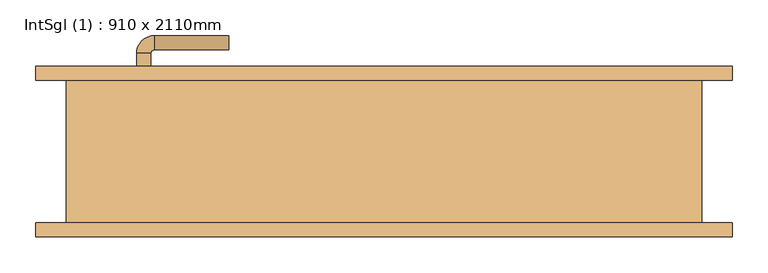
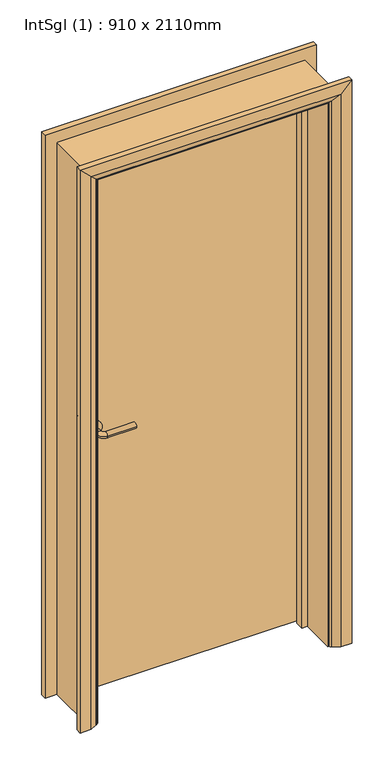
"""IFC4 building model written with IfcOpenShell, lengths in millimetres: door geometry, IntSgl (1) : 910 x 2110mm."""

from ifc_helpers import new_model, si_unit, point, frame, frame_2d, origin, place, context, project, spatial, polyline, circle_curve, ellipse_curve, trimmed, segment, composite_curve, outline, extrude, faceted_brep, source, transform, mapped, element, save
from ifc_brep_helpers import plane_surface, cylinder_surface, revolved_surface, advanced_brep


def intsgl_1_910_x_2110mm_09ade113(model_context):
    return source(origin(), model_context, "Body", "SolidModel", [
        advanced_brep(
        [(-348.0, 54.0, 1000.0), (-328.0, 54.0, 1000.0), (-328.0, 24.0, 1000.0), (-348.0, 24.0, 1000.0), (-323.0, 19.0, 1000.0), (-323.0, -1.0, 1000.0), (-218.0, -1.0, 1000.0), (-218.0, 19.0, 1000.0)],
        [
            (0, 1, circle_curve(frame((-338.0, 54.0, 1000.0), z_axis=(0.0, 1.0, 0.0), x_axis=(1.0, 0.0, 0.0)), 10.0)),
            (1, 0, circle_curve(frame((-338.0, 54.0, 1000.0), z_axis=(0.0, 1.0, 0.0), x_axis=(1.0, 0.0, 0.0)), 10.0)),
            (1, 2),
            (2, 3, circle_curve(frame((-338.0, 24.0, 1000.0), z_axis=(0.0, 1.0, 0.0), x_axis=(1.0, 0.0, 0.0)), 10.0)),
            (3, 0),
            (3, 2, circle_curve(frame((-338.0, 24.0, 1000.0), z_axis=(0.0, 1.0, 0.0), x_axis=(1.0, 0.0, 0.0)), 10.0)),
            (4, 5, circle_curve(frame((-323.0, 9.0, 1000.0), z_axis=(-1.0, 0.0, 0.0), x_axis=(0.0, 1.0, 0.0)), 10.0)),
            (5, 3, circle_curve(frame((-323.0, 24.0, 1000.0), z_axis=(0.0, 0.0, -1.0), x_axis=(-1.0, 0.0, 0.0)), 25.0)),
            (2, 4, circle_curve(frame((-323.0, 24.0, 1000.0), z_axis=(0.0, 0.0, 1.0), x_axis=(-1.0, 0.0, 0.0)), 5.0)),
            (5, 4, circle_curve(frame((-323.0, 9.0, 1000.0), z_axis=(-1.0, 0.0, 0.0), x_axis=(0.0, 1.0, 0.0)), 10.0)),
            (6, 7, circle_curve(frame((-218.0, 9.0, 1000.0), z_axis=(1.0, 0.0, 0.0), x_axis=(0.0, 1.0, 0.0)), 10.0)),
            (7, 6, circle_curve(frame((-218.0, 9.0, 1000.0), z_axis=(1.0, 0.0, 0.0), x_axis=(0.0, 1.0, 0.0)), 10.0)),
            (4, 7),
            (6, 5),
        ],
        [
            plane_surface(frame((-338.0, 54.0, 1000.0), z_axis=(0.0, 1.0, 0.0), x_axis=(0.0, 0.0, 1.0))),
            cylinder_surface(frame((-338.0, 54.0, 1000.0), z_axis=(0.0, 1.0, 0.0), x_axis=(1.0, 0.0, 0.0)), 10.0),
            revolved_surface(trimmed(ellipse_curve(frame((-338.0, 24.0, 1000.0), z_axis=(0.0, -1.0, 0.0), x_axis=(1.0, 0.0, 0.0)), 10.0, 10.0), [point((-348.0, 24.0, 1000.0))], [point((-328.0, 24.0, 1000.0))], True, "CARTESIAN"), (-323.0, 24.0, 1000.0), (0.0, 0.0, -1.0)),
            revolved_surface(trimmed(ellipse_curve(frame((-338.0, 24.0, 1000.0), z_axis=(0.0, -1.0, 0.0), x_axis=(1.0, 0.0, 0.0)), 10.0, 10.0), [point((-328.0, 24.0, 1000.0))], [point((-348.0, 24.0, 1000.0))], True, "CARTESIAN"), (-323.0, 24.0, 1000.0), (0.0, 0.0, -1.0)),
            plane_surface(frame((-218.0, 9.0, 1000.0), z_axis=(1.0, 0.0, 0.0), x_axis=(0.0, 0.0, 1.0))),
            cylinder_surface(frame((-323.0, 9.0, 1000.0), z_axis=(-1.0, 0.0, 0.0), x_axis=(0.0, 1.0, 0.0)), 10.0),
        ],
        [
            (0, [[1, 2]]),
            (1, [[3, 4, 5, -2]]),
            (1, [[-5, 6, -3, -1]]),
            (2, [[7, 8, -4, 9]]),
            (3, [[10, -9, -6, -8]]),
            (4, [[11, 12]]),
            (5, [[13, -11, 14, -7]]),
            (5, [[-14, -12, -13, -10]]),
        ],
    ),
        extrude(outline(composite_curve([segment(trimmed(circle_curve(frame_2d((1000.0, -340.5)), 30.0), [point((1000.0, -370.5))], [point((1000.0, -310.5))], False, "CARTESIAN"), True, "CONTINUOUS"), segment(trimmed(circle_curve(frame_2d((1000.0, -340.5)), 30.0), [point((1000.0, -310.5))], [point((1000.0, -370.5))], False, "CARTESIAN"), True, "CONTINUOUS")], self_intersect=False)), frame((0.0, 54.0, 0.0), z_axis=(0.0, 1.0, 0.0), x_axis=(0.0, 0.0, 1.0)), (0.0, 0.0, 1.0), 8.0),
        advanced_brep(
        [(-348.0, 108.0, 1000.0), (-328.0, 108.0, 1000.0), (-348.0, 138.0, 1000.0), (-328.0, 138.0, 1000.0), (-323.0, 143.0, 1000.0), (-323.0, 163.0, 1000.0), (-218.0, 163.0, 1000.0), (-218.0, 143.0, 1000.0)],
        [
            (0, 1, circle_curve(frame((-338.0, 108.0, 1000.0), z_axis=(0.0, -1.0, 0.0), x_axis=(1.0, 0.0, 0.0)), 10.0)),
            (1, 0, circle_curve(frame((-338.0, 108.0, 1000.0), z_axis=(0.0, -1.0, 0.0), x_axis=(1.0, 0.0, 0.0)), 10.0)),
            (0, 2),
            (2, 3, circle_curve(frame((-338.0, 138.0, 1000.0), z_axis=(0.0, -1.0, 0.0), x_axis=(1.0, 0.0, 0.0)), 10.0)),
            (3, 1),
            (3, 2, circle_curve(frame((-338.0, 138.0, 1000.0), z_axis=(0.0, -1.0, 0.0), x_axis=(1.0, 0.0, 0.0)), 10.0)),
            (4, 3, circle_curve(frame((-323.0, 138.0, 1000.0), z_axis=(0.0, 0.0, 1.0), x_axis=(-1.0, 0.0, 0.0)), 5.0)),
            (2, 5, circle_curve(frame((-323.0, 138.0, 1000.0), z_axis=(0.0, 0.0, -1.0), x_axis=(-1.0, 0.0, 0.0)), 25.0)),
            (5, 4, circle_curve(frame((-323.0, 153.0, 1000.0), z_axis=(-1.0, 0.0, 0.0), x_axis=(0.0, -1.0, 0.0)), 10.0)),
            (4, 5, circle_curve(frame((-323.0, 153.0, 1000.0), z_axis=(-1.0, 0.0, 0.0), x_axis=(0.0, -1.0, 0.0)), 10.0)),
            (6, 7, circle_curve(frame((-218.0, 153.0, 1000.0), z_axis=(1.0, 0.0, 0.0), x_axis=(0.0, -1.0, 0.0)), 10.0)),
            (7, 6, circle_curve(frame((-218.0, 153.0, 1000.0), z_axis=(1.0, 0.0, 0.0), x_axis=(0.0, -1.0, 0.0)), 10.0)),
            (5, 6),
            (7, 4),
        ],
        [
            plane_surface(frame((-338.0, 108.0, 1000.0), z_axis=(0.0, -1.0, 0.0), x_axis=(0.0, 0.0, 1.0))),
            cylinder_surface(frame((-338.0, 108.0, 1000.0), z_axis=(0.0, -1.0, 0.0), x_axis=(1.0, 0.0, 0.0)), 10.0),
            revolved_surface(trimmed(ellipse_curve(frame((-338.0, 138.0, 1000.0), z_axis=(0.0, -1.0, 0.0), x_axis=(1.0, 0.0, 0.0)), 10.0, 10.0), [point((-348.0, 138.0, 1000.0))], [point((-328.0, 138.0, 1000.0))], True, "CARTESIAN"), (-323.0, 138.0, 1000.0), (0.0, 0.0, -1.0)),
            revolved_surface(trimmed(ellipse_curve(frame((-338.0, 138.0, 1000.0), z_axis=(0.0, -1.0, 0.0), x_axis=(1.0, 0.0, 0.0)), 10.0, 10.0), [point((-328.0, 138.0, 1000.0))], [point((-348.0, 138.0, 1000.0))], True, "CARTESIAN"), (-323.0, 138.0, 1000.0), (0.0, 0.0, -1.0)),
            plane_surface(frame((-218.0, 153.0, 1000.0), z_axis=(1.0, 0.0, 0.0), x_axis=(0.0, 0.0, 1.0))),
            cylinder_surface(frame((-323.0, 153.0, 1000.0), z_axis=(-1.0, 0.0, 0.0), x_axis=(0.0, -1.0, 0.0)), 10.0),
        ],
        [
            (0, [[1, 2]]),
            (1, [[-1, 3, 4, 5]]),
            (1, [[-2, -5, 6, -3]]),
            (2, [[7, -4, 8, 9]]),
            (3, [[-8, -6, -7, 10]]),
            (4, [[11, 12]]),
            (5, [[-9, 13, -12, 14]]),
            (5, [[-10, -14, -11, -13]]),
        ],
    ),
        extrude(outline(composite_curve([segment(trimmed(circle_curve(frame_2d((1000.0, -340.5)), 30.0), [point((1000.0, -370.5))], [point((1000.0, -310.5))], False, "CARTESIAN"), True, "CONTINUOUS"), segment(trimmed(circle_curve(frame_2d((1000.0, -340.5)), 30.0), [point((1000.0, -310.5))], [point((1000.0, -370.5))], False, "CARTESIAN"), True, "CONTINUOUS")], self_intersect=False)), frame((0.0, 100.0, 0.0), z_axis=(0.0, 1.0, 0.0), x_axis=(0.0, 0.0, 1.0)), (0.0, 0.0, 1.0), 8.0),
        extrude(outline(polyline([(413.0, 62.0), (-413.0, 62.0), (-413.0, 100.0), (413.0, 100.0), (413.0, 62.0)])), frame((0.0, 0.0, 8.0), z_axis=(0.0, 0.0, 1.0), x_axis=(1.0, 0.0, 0.0)), (0.0, 0.0, 1.0), 2060.0),
        advanced_brep(
        [(490.0, 120.0, 0.0), (490.0, 100.0, 0.0), (420.0, 100.0, 0.0), (424.0, 106.0, 0.0), (450.0, 120.0, 0.0), (490.0, 120.0, 2145.0), (490.0, 100.0, 2145.0), (-490.0, 100.0, 2145.0), (-490.0, 100.0, 0.0), (-420.0, 100.0, 0.0), (-420.0, 100.0, 2075.0), (420.0, 100.0, 2075.0), (424.0, 106.0, 2079.0), (450.0, 120.0, 2105.0), (-450.0, 120.0, 2105.0), (-450.0, 120.0, 0.0), (-490.0, 120.0, 0.0), (-490.0, 120.0, 2145.0), (-424.0, 106.0, 2079.0), (-424.0, 106.0, 0.0)],
        [
            (0, 1),
            (1, 2),
            (2, 3, circle_curve(frame((428.0, 99.0, 0.0), z_axis=(0.0, 0.0, -1.0), x_axis=(1.0, 0.0, 0.0)), 8.0622577)),
            (3, 4),
            (4, 0),
            (0, 5),
            (5, 6),
            (6, 1),
            (6, 7),
            (7, 8),
            (8, 9),
            (9, 10),
            (10, 11),
            (11, 2),
            (11, 12, ellipse_curve(frame((428.0, 99.0, 2083.0), z_axis=(0.7071067811865475, 0.0, -0.7071067811865475), x_axis=(-0.7071067811865474, 0.0, -0.7071067811865476)), 11.4017543, 8.0622577)),
            (12, 3),
            (12, 13),
            (13, 4),
            (13, 14),
            (14, 15),
            (15, 16),
            (16, 17),
            (17, 5),
            (17, 7),
            (10, 18, ellipse_curve(frame((-428.0, 99.0, 2083.0), z_axis=(0.7071067811865475, 0.0, 0.7071067811865475), x_axis=(0.7071067811865476, 0.0, -0.7071067811865474)), 11.4017543, 8.0622577)),
            (18, 12),
            (18, 14),
            (15, 19),
            (19, 9, circle_curve(frame((-428.0, 99.0, 0.0), z_axis=(0.0, 0.0, -1.0), x_axis=(-1.0, 0.0, 0.0)), 8.0622577)),
            (8, 16),
            (19, 18),
        ],
        [
            plane_surface(frame((420.0, 100.0, 0.0), z_axis=(0.0, 0.0, -1.0), x_axis=(0.0, -1.0, 0.0))),
            plane_surface(frame((490.0, 120.0, 0.0), z_axis=(1.0, 0.0, 0.0), x_axis=(0.0, 0.0, 1.0))),
            plane_surface(frame((490.0, 100.0, 0.0), z_axis=(0.0, -1.0, 0.0), x_axis=(0.0, 0.0, 1.0))),
            cylinder_surface(frame((428.0, 99.0, 0.0), z_axis=(0.0, 0.0, -1.0), x_axis=(1.0, 0.0, 0.0)), 8.0622577),
            plane_surface(frame((424.0, 106.0, 0.0), z_axis=(-0.4740998230350126, 0.880471099922178, 0.0), x_axis=(0.0, 0.0, 1.0))),
            plane_surface(frame((450.0, 120.0, 0.0), z_axis=(0.0, 1.0, 0.0), x_axis=(0.0, 0.0, 1.0))),
            plane_surface(frame((490.0, 120.0, 2145.0), z_axis=(0.0, 0.0, 1.0), x_axis=(-1.0, 0.0, 0.0))),
            cylinder_surface(frame((420.0, 99.0, 2083.0), z_axis=(1.0, 0.0, 0.0), x_axis=(0.0, 0.0, 1.0)), 8.0622577),
            plane_surface(frame((424.0, 106.0, 2079.0), z_axis=(0.0, 0.8804710999221764, -0.4740998230350154), x_axis=(-1.0, 0.0, 0.0))),
            plane_surface(frame((-420.0, 100.0, 0.0), z_axis=(0.0, 0.0, -1.0), x_axis=(0.0, -1.0, 0.0))),
            plane_surface(frame((-490.0, 120.0, 2145.0), z_axis=(-1.0, 0.0, 0.0), x_axis=(0.0, 0.0, -1.0))),
            cylinder_surface(frame((-428.0, 99.0, 2075.0), z_axis=(0.0, 0.0, 1.0), x_axis=(-1.0, 0.0, 0.0)), 8.0622577),
            plane_surface(frame((-424.0, 106.0, 2079.0), z_axis=(0.47409982303501824, 0.8804710999221749, 0.0), x_axis=(0.0, 0.0, -1.0))),
        ],
        [
            (0, [[1, 2, 3, 4, 5]]),
            (1, [[-1, 6, 7, 8]]),
            (2, [[-2, -8, 9, 10, 11, 12, 13, 14]]),
            (3, [[-3, -14, 15, 16]]),
            (4, [[-4, -16, 17, 18]]),
            (5, [[-5, -18, 19, 20, 21, 22, 23, -6]]),
            (6, [[-7, -23, 24, -9]]),
            (7, [[-15, -13, 25, 26]]),
            (8, [[-17, -26, 27, -19]]),
            (9, [[-21, 28, 29, -11, 30]]),
            (10, [[-24, -22, -30, -10]]),
            (11, [[-25, -12, -29, 31]]),
            (12, [[-27, -31, -28, -20]]),
        ],
    ),
        extrude(outline(polyline([(0.0, -415.0), (0.0, -396.0), (2051.0, -396.0), (2051.0, 396.0), (0.0, 396.0), (0.0, 415.0), (2070.0, 415.0), (2070.0, -415.0), (0.0, -415.0)])), frame((0.0, 28.0, 0.0), z_axis=(0.0, 1.0, 0.0), x_axis=(0.0, 0.0, 1.0)), (0.0, 0.0, 1.0), 32.0),
        advanced_brep(
        [(-490.0, -120.0, 0.0), (-490.0, -100.0, 0.0), (-420.0, -100.0, 0.0), (-424.0, -106.0, 0.0), (-450.0, -120.0, 0.0), (-490.0, -120.0, 2145.0), (-490.0, -100.0, 2145.0), (-420.0, -100.0, 2075.0), (-424.0, -106.0, 2079.0), (-450.0, -120.0, 2105.0), (490.0, -120.0, 2145.0), (490.0, -100.0, 2145.0), (420.0, -100.0, 2075.0), (424.0, -106.0, 2079.0), (450.0, -120.0, 2105.0), (490.0, -120.0, 0.0), (450.0, -120.0, 0.0), (424.0, -106.0, 0.0), (420.0, -100.0, 0.0), (490.0, -100.0, 0.0)],
        [
            (0, 1),
            (1, 2),
            (2, 3, circle_curve(frame((-428.0, -99.0, 0.0), z_axis=(0.0, 0.0, -1.0), x_axis=(-1.0, 0.0, 0.0)), 8.0622577)),
            (3, 4),
            (4, 0),
            (0, 5),
            (5, 6),
            (6, 1),
            (6, 7),
            (7, 2),
            (7, 8, ellipse_curve(frame((-428.0, -99.0, 2083.0), z_axis=(-0.7071067811865475, 0.0, -0.7071067811865475), x_axis=(0.7071067811865474, 0.0, -0.7071067811865476)), 11.4017543, 8.0622577)),
            (8, 3),
            (8, 9),
            (9, 4),
            (9, 5),
            (5, 10),
            (10, 11),
            (11, 6),
            (11, 12),
            (12, 7),
            (12, 13, ellipse_curve(frame((428.0, -99.0, 2083.0), z_axis=(-0.7071067811865475, 0.0, 0.7071067811865475), x_axis=(-0.7071067811865476, 0.0, -0.7071067811865474)), 11.4017543, 8.0622577)),
            (13, 8),
            (13, 14),
            (14, 9),
            (14, 10),
            (15, 16),
            (16, 17),
            (17, 18, circle_curve(frame((428.0, -99.0, 0.0), z_axis=(0.0, 0.0, -1.0), x_axis=(1.0, 0.0, 0.0)), 8.0622577)),
            (18, 19),
            (19, 15),
            (10, 15),
            (19, 11),
            (18, 12),
            (17, 13),
            (16, 14),
        ],
        [
            plane_surface(frame((-420.0, -172.8010989, 0.0), z_axis=(0.0, 0.0, -1.0), x_axis=(1.0, 0.0, 0.0))),
            plane_surface(frame((-490.0, -120.0, 0.0), z_axis=(-1.0, 0.0, 0.0), x_axis=(0.0, 0.0, 1.0))),
            plane_surface(frame((-490.0, -100.0, 0.0), z_axis=(0.0, 1.0, 0.0), x_axis=(0.0, 0.0, 1.0))),
            cylinder_surface(frame((-428.0, -99.0, 0.0), z_axis=(0.0, 0.0, -1.0), x_axis=(-1.0, 0.0, 0.0)), 8.0622577),
            plane_surface(frame((-424.0, -106.0, 0.0), z_axis=(0.4740998230350183, -0.8804710999221749, 0.0), x_axis=(0.0, 0.0, 1.0))),
            plane_surface(frame((-450.0, -120.0, 0.0), z_axis=(0.0, -1.0, 0.0), x_axis=(0.0, 0.0, 1.0))),
            plane_surface(frame((-490.0, -120.0, 2145.0), z_axis=(0.0, 0.0, 1.0), x_axis=(1.0, 0.0, 0.0))),
            plane_surface(frame((-490.0, -100.0, 2145.0), z_axis=(0.0, 1.0, 0.0), x_axis=(1.0, 0.0, 0.0))),
            cylinder_surface(frame((-420.0, -99.0, 2083.0), z_axis=(-1.0, 0.0, 0.0), x_axis=(0.0, 0.0, 1.0)), 8.0622577),
            plane_surface(frame((-424.0, -106.0, 2079.0), z_axis=(0.0, -0.8804710999221749, -0.4740998230350183), x_axis=(1.0, 0.0, 0.0))),
            plane_surface(frame((-450.0, -120.0, 2105.0), z_axis=(0.0, -1.0, 0.0), x_axis=(1.0, 0.0, 0.0))),
            plane_surface(frame((420.0, -172.8010989, 0.0), z_axis=(0.0, 0.0, -1.0), x_axis=(-1.0, 0.0, 0.0))),
            plane_surface(frame((490.0, -120.0, 2145.0), z_axis=(1.0, 0.0, 0.0), x_axis=(0.0, 0.0, -1.0))),
            plane_surface(frame((490.0, -100.0, 2145.0), z_axis=(0.0, 1.0, 0.0), x_axis=(0.0, 0.0, -1.0))),
            cylinder_surface(frame((428.0, -99.0, 2075.0), z_axis=(0.0, 0.0, 1.0), x_axis=(1.0, 0.0, 0.0)), 8.0622577),
            plane_surface(frame((424.0, -106.0, 2079.0), z_axis=(-0.4740998230350183, -0.8804710999221749, 0.0), x_axis=(0.0, 0.0, -1.0))),
            plane_surface(frame((450.0, -120.0, 2105.0), z_axis=(0.0, -1.0, 0.0), x_axis=(0.0, 0.0, -1.0))),
        ],
        [
            (0, [[1, 2, 3, 4, 5]]),
            (1, [[-1, 6, 7, 8]]),
            (2, [[-2, -8, 9, 10]]),
            (3, [[-3, -10, 11, 12]]),
            (4, [[-4, -12, 13, 14]]),
            (5, [[-5, -14, 15, -6]]),
            (6, [[-7, 16, 17, 18]]),
            (7, [[-9, -18, 19, 20]]),
            (8, [[-11, -20, 21, 22]]),
            (9, [[-13, -22, 23, 24]]),
            (10, [[-15, -24, 25, -16]]),
            (11, [[26, 27, 28, 29, 30]]),
            (12, [[-17, 31, -30, 32]]),
            (13, [[-19, -32, -29, 33]]),
            (14, [[-21, -33, -28, 34]]),
            (15, [[-23, -34, -27, 35]]),
            (16, [[-25, -35, -26, -31]]),
        ],
    ),
        faceted_brep([(-415.0, 100.0, 0.0), (-415.0, -100.0, 0.0), (-447.0, -100.0, 0.0), (-447.0, 100.0, 0.0), (-415.0, 100.0, 2070.0), (-415.0, -100.0, 2070.0), (-447.0, -100.0, 2102.0), (-447.0, 100.0, 2102.0), (415.0, 100.0, 2070.0), (415.0, -100.0, 2070.0), (447.0, -100.0, 2102.0), (447.0, 100.0, 2102.0), (415.0, 100.0, 0.0), (447.0, 100.0, 0.0), (447.0, -100.0, 0.0), (415.0, -100.0, 0.0)], [[[0, 1, 2, 3]], [[1, 0, 4, 5]], [[2, 1, 5, 6]], [[3, 2, 6, 7]], [[0, 3, 7, 4]], [[5, 4, 8, 9]], [[6, 5, 9, 10]], [[7, 6, 10, 11]], [[4, 7, 11, 8]], [[12, 13, 14, 15]], [[9, 8, 12, 15]], [[10, 9, 15, 14]], [[11, 10, 14, 13]], [[8, 11, 13, 12]]]),
    ])


if __name__ == "__main__":
    model = new_model("IFC4")
    model_context = context("Model", 3, world=origin())
    ifc_project = project(units=[si_unit("LENGTHUNIT", "METRE", prefix="MILLI")], contexts=[model_context])
    site = spatial("IfcSite", under=ifc_project)
    building = spatial("IfcBuilding", under=site)
    placement = place(None, origin())
    intsgl_1_910_x_2110mm_shape = intsgl_1_910_x_2110mm_09ade113(model_context)
    element("IfcDoor", 1, ObjectType="IntSgl (1) : 910 x 2110mm", at=placement, inside=building, context=model_context, shape_type="MappedRepresentation", body=[
        mapped(intsgl_1_910_x_2110mm_shape, transform((0.0, 0.0, 0.0), x_axis=(1.0, 0.0, 0.0), y_axis=(0.0, 1.0, 0.0), z_axis=(0.0, 0.0, 1.0))),
    ])
    save(model, "model.ifc")
